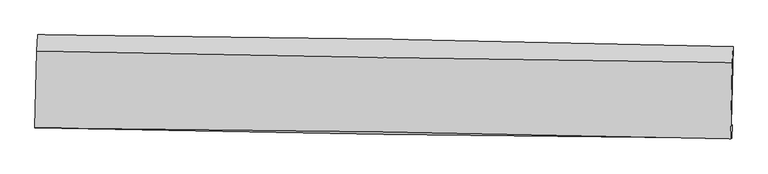
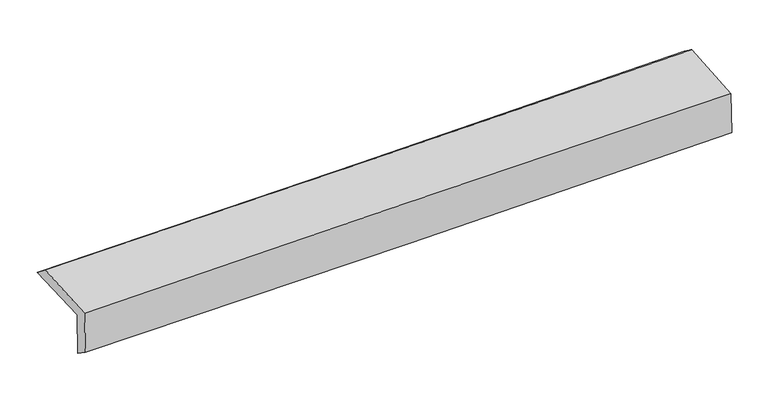
"""IFC4 building model written with IfcOpenShell, lengths in millimetres: proxy geometry."""

from ifc_helpers import new_model, si_unit, frame, origin, place, context, project, spatial, source, transform, mapped, element, save
from ifc_brep_helpers import plane_surface, spline_curve, spline_surface, advanced_brep


def generic_models_5b295543(model_context):
    return source(origin(), model_context, "Body", "AdvancedBrep", [
        advanced_brep(
        [(-3026.4371978, -1763.1855139, 1976.9595496), (-3009.3869707, -1084.9200469, 1981.7381551), (3015.7931733, -1189.6315798, 2140.2272679), (2999.3651189, -1862.0739282, 2116.9361984), (-3016.0963075, -1753.0739685, 1583.6994726), (3009.4552028, -1866.7203518, 1718.8857558), (-3021.8563578, -1888.508043, 1674.5984725), (3004.1079553, -1983.8737158, 1811.7360796), (-3032.0976784, -1894.0612235, 2068.4763107), (2993.8690047, -1989.4256112, 2205.5227649), (-3015.8003645, -1225.1273986, 2093.4016352), (3009.8957254, -1324.6323579, 2236.911885)],
        [
            (0, 1),
            (1, 2, spline_curve(3, [(-3009.3869707, -1084.9200469, 1981.7381551), (-2004.528837232, -1091.799673285, 1992.425383939), (-999.996654787, -1103.96558048, 2010.976624502), (1008.396713921, -1138.8696259, 2063.806627863), (2012.25791314, -1161.607562856, 2098.085091389), (3015.7931733, -1189.6315798, 2140.2272679)], [4, 2, 4], [0.0, 9.88905883669868, 19.777929651803984])),
            (2, 3),
            (3, 0, spline_curve(3, [(2999.3651189, -1862.0739282, 2116.9361984), (1995.274575899, -1840.181738653, 2090.393324001), (991.083886105, -1820.994995392, 2065.457261443), (-1017.516882543, -1788.032087841, 2018.798317588), (-2021.926964718, -1774.256026178, 1997.075496972), (-3026.4371978, -1763.1855139, 1976.9595496)], [4, 2, 4], [0.0, 9.888870815105303, 19.777929651803984])),
            (4, 0),
            (3, 5),
            (5, 4, spline_curve(3, [(3009.4552028, -1866.7203518, 1718.8857558), (2005.328265557, -1849.42703311, 1689.221606104), (1001.140278387, -1831.30993978, 1663.124080572), (-1007.37688923, -1793.427843088, 1618.061850838), (-2011.706072496, -1773.662808813, 1599.097281532), (-3016.0963075, -1753.0739685, 1583.6994726)], [4, 2, 4], [0.0, 9.888703212473944, 19.77759444335456])),
            (6, 4),
            (5, 7),
            (7, 6, spline_curve(3, [(3004.1079553, -1983.8737158, 1811.7360796), (1999.623222187, -1975.795148827, 1786.926447443), (995.221935944, -1963.808838385, 1763.09359689), (-1013.432838296, -1932.020429614, 1717.381023937), (-2017.686323142, -1912.218182061, 1695.501338904), (-3021.8563578, -1888.508043, 1674.5984725)], [4, 2, 4], [0.0, 9.888750961273754, 19.77768994186205])),
            (8, 6),
            (7, 9),
            (9, 8, spline_curve(3, [(2993.8690047, -1989.4256112, 2205.5227649), (1989.747731238, -1965.021238069, 2182.658507092), (985.527979305, -1944.872054185, 2159.80594889), (-1023.127578264, -1913.083763216, 2114.123796826), (-2027.563386922, -1901.444817677, 2091.294203851), (-3032.0976784, -1894.0612235, 2068.4763107)], [4, 2, 4], [0.0, 9.888816857069502, 19.777821734706453])),
            (10, 8),
            (9, 11),
            (11, 10, spline_curve(3, [(3009.8957254, -1324.6323579, 2236.911885), (2005.538258201, -1313.009288119, 2210.639003563), (1001.222957154, -1298.905775642, 2185.543477835), (-1007.342407655, -1265.737550039, 2137.706683198), (-2011.592469812, -1246.672742691, 2114.965458799), (-3015.8003645, -1225.1273986, 2093.4016352)], [4, 2, 4], [0.0, 9.888776489991594, 19.77774099978312])),
            (1, 10),
            (11, 2),
        ],
        [
            spline_surface(3, 3, [[(-3026.4371978, -1763.1855139, 1976.9595496), (-2021.926964754, -1774.25602629, 1997.075496969), (-1017.516882437, -1788.032087792, 2018.798317488), (991.083885999, -1820.994995442, 2065.457261543), (1995.274575893, -1840.181738701, 2090.393323919), (2999.3651189, -1862.0739282, 2116.9361984)], [(-3020.753788758, -1537.097024874, 1978.552418102), (-2016.127588877, -1546.770575217, 1995.525459249), (-1011.676806599, -1560.009918707, 2016.191086484), (996.854828672, -1593.61987225, 2064.907050297), (2000.9356883, -1613.990346703, 2092.957246402), (3004.84113703, -1637.92647872, 2124.699888241)], [(-3015.070379742, -1311.008535926, 1980.145286598), (-2010.328213025, -1319.285124221, 1993.975421522), (-1005.836730741, -1331.98774961, 2013.583855522), (1002.625771364, -1366.244749047, 2064.356839092), (2006.596800716, -1387.798954746, 2095.521168863), (3010.31715517, -1413.77902928, 2132.463578059)], [(-3009.3869707, -1084.9200469, 1981.7381551), (-2004.528837149, -1091.799673148, 1992.425383801), (-999.996654903, -1103.965580525, 2010.976624519), (1008.396714036, -1138.869625855, 2063.806627845), (2012.257913123, -1161.607562749, 2098.085091346), (3015.7931733, -1189.6315798, 2140.2272679)]], [4, 4], [4, 2, 4], [0.0, 2.241910644423967], [0.0, 9.88905883669868, 19.777929651803984]),
            spline_surface(3, 3, [[(-3016.0963075, -1753.0739685, 1583.6994726), (-2011.706072382, -1773.662808855, 1599.09728157), (-1007.376889319, -1793.427843222, 1618.061850684), (1001.140278476, -1831.309939647, 1663.124080726), (2005.328265481, -1849.427033077, 1689.221605986), (3009.4552028, -1866.7203518, 1718.8857558)], [(-3019.543270933, -1756.444483632, 1714.786164921), (-2015.113036506, -1773.860547999, 1731.75668669), (-1010.756887001, -1791.629258076, 1751.64067297), (997.788147674, -1827.87162491, 1797.235141016), (2001.977035614, -1846.345268302, 1822.945511957), (3006.091841496, -1865.17154395, 1851.56923666)], [(-3022.990234367, -1759.814998768, 1845.872857279), (-2018.52000063, -1774.058287146, 1864.416091849), (-1014.136884755, -1789.830672937, 1885.219495201), (994.436016801, -1824.433310179, 1931.346201252), (1998.625805759, -1843.263503477, 1956.669417948), (3002.728480204, -1863.62273605, 1984.25271754)], [(-3026.4371978, -1763.1855139, 1976.9595496), (-2021.926964754, -1774.25602629, 1997.075496969), (-1017.516882437, -1788.032087792, 2018.798317488), (991.083885999, -1820.994995442, 2065.457261543), (1995.274575893, -1840.181738701, 2090.393323919), (2999.3651189, -1862.0739282, 2116.9361984)]], [4, 4], [4, 2, 4], [0.0, 1.3180399411281916], [0.0, 9.888891230880615, 19.77759444335456]),
            spline_surface(3, 3, [[(-3021.8563578, -1888.508043, 1674.5984725), (-2017.686323124, -1912.218182173, 1695.501338938), (-1013.432838273, -1932.020429499, 1717.381023993), (995.221935921, -1963.8088385, 1763.093596834), (1999.623222128, -1975.795148771, 1786.926447485), (3004.1079553, -1983.8737158, 1811.7360796)], [(-3019.936341061, -1843.363351523, 1644.298805882), (-2015.692906238, -1866.033057756, 1663.366653163), (-1011.414188622, -1885.822900726, 1684.274632892), (997.194716772, -1919.642538868, 1729.7704248), (2001.524903246, -1933.672443546, 1754.358167015), (3005.890371134, -1944.822594473, 1780.785971697)], [(-3018.016324239, -1798.218659977, 1613.999139218), (-2013.699489268, -1819.847933272, 1631.231967344), (-1009.39553897, -1839.625371995, 1651.168241785), (999.167497625, -1875.476239279, 1696.44725276), (2003.426584363, -1891.549738303, 1721.789886455), (3007.672786966, -1905.771473127, 1749.835863703)], [(-3016.0963075, -1753.0739685, 1583.6994726), (-2011.706072382, -1773.662808855, 1599.09728157), (-1007.376889319, -1793.427843222, 1618.061850684), (1001.140278476, -1831.309939647, 1663.124080726), (2005.328265481, -1849.427033077, 1689.221605986), (3009.4552028, -1866.7203518, 1718.8857558)]], [4, 4], [4, 2, 4], [0.0, 0.5522882909717602], [0.0, 9.888938980588296, 19.77768994186205]),
            spline_surface(3, 3, [[(-3032.0976784, -1894.0612235, 2068.4763107), (-2027.563387045, -1901.444817767, 2091.294203852), (-1023.127578132, -1913.083763183, 2114.123796931), (985.527979173, -1944.872054217, 2159.805948786), (1989.74773126, -1965.021238059, 2182.658507087), (2993.8690047, -1989.4256112, 2205.5227649)], [(-3028.683904842, -1892.210163322, 1937.183697961), (-2024.27103238, -1905.035939224, 1959.363248875), (-1019.895998174, -1919.395985288, 1981.876205941), (988.759298095, -1951.184315645, 2027.568498125), (1993.039561544, -1968.612541631, 2050.747820534), (2997.281988229, -1987.574979402, 2074.260536448)], [(-3025.270131358, -1890.359103178, 1805.891085239), (-2020.978677789, -1908.627060716, 1827.432293914), (-1016.664418231, -1925.708207394, 1849.628614982), (991.990617, -1957.496577072, 1895.331047495), (1996.331391843, -1972.203845198, 1918.837134037), (3000.694971771, -1985.724347598, 1942.998308052)], [(-3021.8563578, -1888.508043, 1674.5984725), (-2017.686323124, -1912.218182173, 1695.501338938), (-1013.432838273, -1932.020429499, 1717.381023993), (995.221935921, -1963.8088385, 1763.093596834), (1999.623222128, -1975.795148771, 1786.926447485), (3004.1079553, -1983.8737158, 1811.7360796)]], [4, 4], [4, 2, 4], [0.0, 1.303469634786889], [0.0, 9.889004877636951, 19.777821734706453]),
            spline_surface(3, 3, [[(-3015.8003645, -1225.1273986, 2093.4016352), (-2011.592469912, -1246.672742835, 2114.96545893), (-1007.342407706, -1265.737550116, 2137.70668316), (1001.222957204, -1298.905775566, 2185.543477873), (2005.538258285, -1313.009288036, 2210.639003559), (3009.8957254, -1324.6323579, 2236.911885)], [(-3021.232802486, -1448.105340248, 2085.093193685), (-2016.916108976, -1464.930101161, 2107.075040556), (-1012.604131204, -1481.519621152, 2129.845721077), (995.991297838, -1514.227868464, 2176.964301505), (2000.274749268, -1530.346604706, 2201.312171388), (3004.553485158, -1546.230108995, 2226.448844953)], [(-3026.665240414, -1671.083281852, 2076.784752215), (-2022.239747981, -1683.187459441, 2099.184622226), (-1017.865854634, -1697.301692146, 2121.984759013), (990.75963854, -1729.54996132, 2168.385125154), (1995.011240277, -1747.683921389, 2191.985339258), (2999.211244942, -1767.827860105, 2215.985804947)], [(-3032.0976784, -1894.0612235, 2068.4763107), (-2027.563387045, -1901.444817767, 2091.294203852), (-1023.127578132, -1913.083763183, 2114.123796931), (985.527979173, -1944.872054217, 2159.805948786), (1989.74773126, -1965.021238059, 2182.658507087), (2993.8690047, -1989.4256112, 2205.5227649)]], [4, 4], [4, 2, 4], [0.0, 2.123745702970066], [0.0, 9.888964509791526, 19.77774099978312]),
            spline_surface(3, 3, [[(-3009.3869707, -1084.9200469, 1981.7381551), (-2004.528837149, -1091.799673148, 1992.425383801), (-999.996654903, -1103.965580525, 2010.976624519), (1008.396714036, -1138.869625855, 2063.806627845), (2012.257913123, -1161.607562749, 2098.085091346), (3015.7931733, -1189.6315798, 2140.2272679)], [(-3011.524768619, -1131.655830801, 2018.959315149), (-2006.883381389, -1143.424029711, 2033.272075527), (-1002.44523917, -1157.889570388, 2053.219977409), (1006.00546176, -1192.215009091, 2104.385577864), (2010.018028197, -1212.074804505, 2135.603062084), (3013.827357353, -1234.631839161, 2172.4554736)], [(-3013.662566581, -1178.391614699, 2056.180475151), (-2009.237925672, -1195.048386272, 2074.118767205), (-1004.893823439, -1211.813560253, 2095.46333027), (1003.614209481, -1245.56039233, 2144.964527854), (2007.778143211, -1262.54204628, 2173.121032821), (3011.861541347, -1279.632098539, 2204.6836793)], [(-3015.8003645, -1225.1273986, 2093.4016352), (-2011.592469912, -1246.672742835, 2114.96545893), (-1007.342407706, -1265.737550116, 2137.70668316), (1001.222957204, -1298.905775566, 2185.543477873), (2005.538258285, -1313.009288036, 2210.639003559), (3009.8957254, -1324.6323579, 2236.911885)]], [4, 4], [4, 2, 4], [0.0, 0.6673650032481858], [0.0, 9.888974322712638, 19.77776062543877]),
            plane_surface(frame((3005.4143634, -1702.7262574, 2038.369992), z_axis=(0.999351299482567, -0.025302233369659553, 0.025627664915327347), x_axis=(0.025989895496973534, 0.014092575201843913, -0.9995628667853947))),
            plane_surface(frame((-3020.2791461, -1601.4793657, 1896.4789326), z_axis=(-0.9993512994825665, 0.025302233369683298, -0.02562766491532178), x_axis=(-0.02512942289858666, -0.999659396597998, -0.007042932493700699))),
        ],
        [
            (0, [[1, 2, 3, 4]]),
            (1, [[5, -4, 6, 7]]),
            (2, [[8, -7, 9, 10]]),
            (3, [[11, -10, 12, 13]]),
            (4, [[14, -13, 15, 16]]),
            (5, [[17, -16, 18, -2]]),
            (6, [[-12, -9, -6, -3, -18, -15]]),
            (7, [[-1, -5, -8, -11, -14, -17]]),
        ],
    ),
    ])


if __name__ == "__main__":
    model = new_model("IFC4")
    model_context = context("Model", 3, world=origin())
    ifc_project = project(units=[si_unit("LENGTHUNIT", "METRE", prefix="MILLI")], contexts=[model_context])
    site = spatial("IfcSite", under=ifc_project)
    building = spatial("IfcBuilding", under=site)
    placement = place(None, origin())
    generic_models_shape = generic_models_5b295543(model_context)
    element("IfcBuildingElementProxy", 1, Name="Generic Models", at=placement, inside=building, context=model_context, shape_type="MappedRepresentation", body=[
        mapped(generic_models_shape, transform((0.0, 0.0, 0.0), x_axis=(1.0, 0.0, 0.0), y_axis=(0.0, 1.0, 0.0), z_axis=(0.0, 0.0, 1.0))),
    ])
    save(model, "model.ifc")
